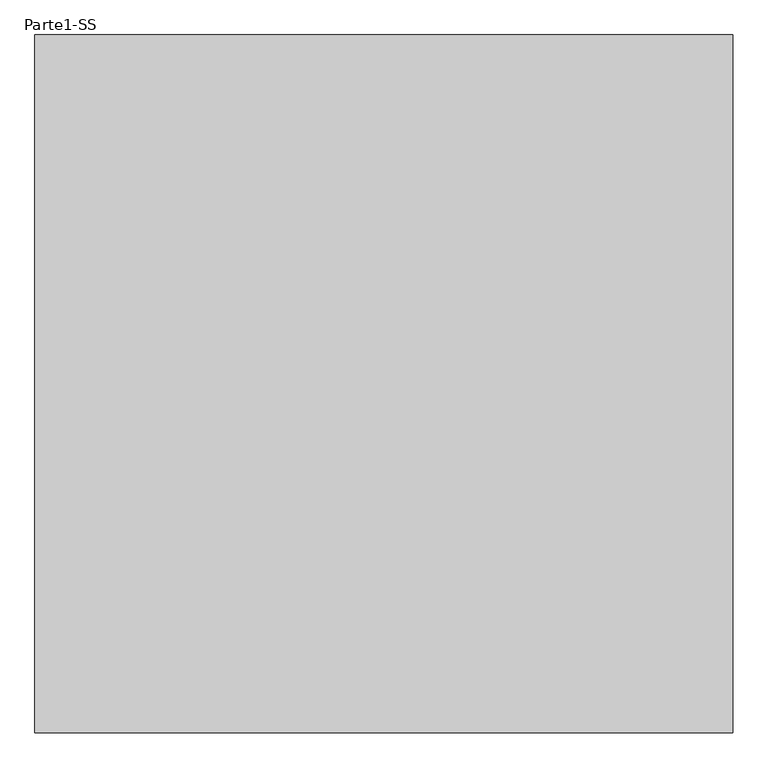
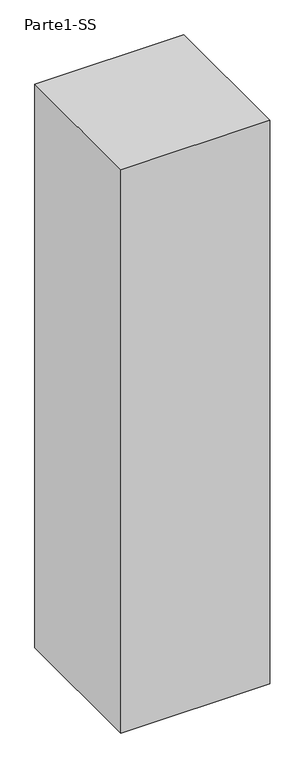
"""IFC4 building model written with IfcOpenShell, lengths in millimetres: proxy geometry, Parte1-SS."""

from ifc_helpers import new_model, si_unit, frame, origin, place, context, project, spatial, polyline, outline, extrude, source, transform, mapped, element, save


def parte1_ss_80fa0fae(model_context):
    return source(origin(), model_context, "Body", "SweptSolid", [
        extrude(outline(polyline([(10000.0, 10000.0), (10000.0, 0.0), (0.0, 0.0), (0.0, 10000.0), (10000.0, 10000.0)])), frame((0.0, 0.0, 10000.0), z_axis=(0.0, 0.0, 1.0), x_axis=(1.0, 0.0, 0.0)), (0.0, 0.0, 1.0), 40000.0),
    ])


if __name__ == "__main__":
    model = new_model("IFC4")
    model_context = context("Model", 3, world=origin())
    ifc_project = project(units=[si_unit("LENGTHUNIT", "METRE", prefix="MILLI")], contexts=[model_context])
    site = spatial("IfcSite", under=ifc_project)
    building = spatial("IfcBuilding", under=site)
    placement = place(None, origin())
    parte1_ss_shape = parte1_ss_80fa0fae(model_context)
    element("IfcBuildingElementProxy", 1, Name="Parte1-SS", ObjectType="Parte1-SS", at=placement, inside=building, context=model_context, shape_type="MappedRepresentation", body=[
        mapped(parte1_ss_shape, transform((0.0, 0.0, 0.0), x_axis=(1.0, 0.0, 0.0), y_axis=(0.0, 1.0, 0.0), z_axis=(0.0, 0.0, 1.0))),
    ])
    save(model, "model.ifc")
